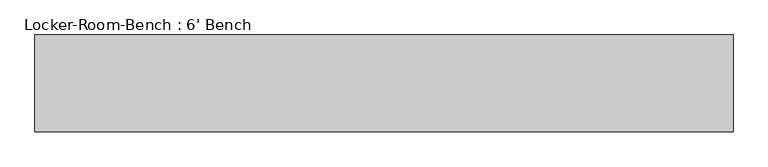
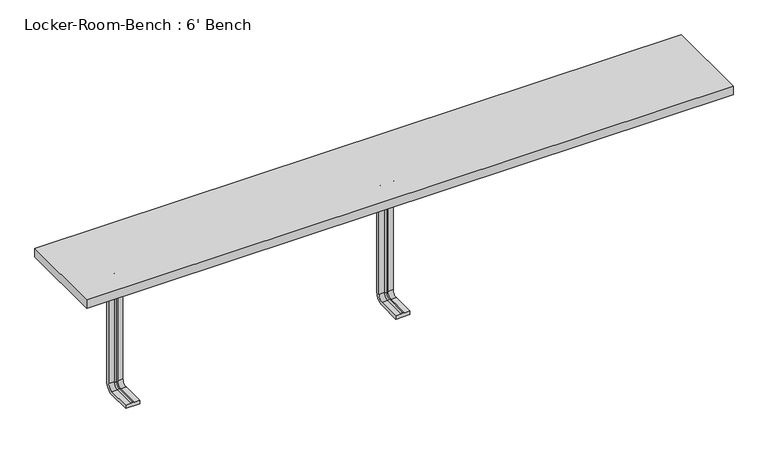
"""IFC4 building model written with IfcOpenShell, lengths in millimetres: furniture geometry, Locker-Room-Bench : 6' Bench."""

import ifcopenshell
import ifcopenshell.guid

model = None  # the IFC model being written
_history = None  # IfcOwnerHistory: only IFC2X3 demands one
_inside = {}  # id of a spatial element -> (the spatial element, [elements in it])
_under = {}  # id of a project, library or spatial element -> (it, [spatial elements below it])
_declared = {}  # id of a project -> (the project, [libraries it declares])
_typed = {}  # id of a type object -> (the type object, [elements of that type])
_made_of = {}  # id of a material, layer set ... -> (it, [elements and type objects made of it])


def new_model(schema):
    """Start an empty IFC model of exactly this schema.

    Asked for "IFC4X3", IfcOpenShell would pick the latest addendum, in which some entities
    have other attributes; the version numbers below select the first issue.
    IFC2X3 requires an IfcOwnerHistory on every rooted entity: one is made here for all.
    """
    global model, _history
    if schema == "IFC4X3":
        model = ifcopenshell.file(schema_version=(4, 3, 0, 0))
    else:
        model = ifcopenshell.file(schema=schema)
    _inside.clear()
    _under.clear()
    _declared.clear()
    _typed.clear()
    _made_of.clear()
    _history = None
    if model.schema == "IFC2X3":
        org = make("IfcOrganization", Name="unknown")
        user = make(
            "IfcPersonAndOrganization",
            ThePerson=make("IfcPerson", FamilyName="unknown"),
            TheOrganization=org,
        )
        app = make(
            "IfcApplication",
            ApplicationDeveloper=org,
            Version="unknown",
            ApplicationFullName="unknown",
            ApplicationIdentifier="unknown",
        )
        _history = make(
            "IfcOwnerHistory",
            OwningUser=user,
            OwningApplication=app,
            ChangeAction="ADDED",
            CreationDate=0,
        )
    return model


def make(cls, **values):
    """One entity of the class cls with the attributes given. An attribute that is None is left unset."""
    return model.create_entity(
        cls, **{name: value for name, value in values.items() if value is not None}
    )


def rooted(cls, **values):
    """An entity with a GlobalId (a new one), such as an element, a storey or a relation."""
    return make(cls, GlobalId=ifcopenshell.guid.new(), OwnerHistory=_history, **values)


def si_unit(unit_type, name, prefix=None):
    """IfcSIUnit, for example si_unit("LENGTHUNIT", "METRE", prefix="MILLI")."""
    return make("IfcSIUnit", UnitType=unit_type, Prefix=prefix, Name=name)


def assignment(units):
    """IfcUnitAssignment: the units of a project."""
    return None if units is None else make("IfcUnitAssignment", Units=units)


def point(xyz):
    """IfcCartesianPoint."""
    return None if xyz is None else make("IfcCartesianPoint", Coordinates=xyz)


def direction(xyz):
    """IfcDirection."""
    return None if xyz is None else make("IfcDirection", DirectionRatios=xyz)


def frame(location, z_axis=None, x_axis=None):
    """IfcAxis2Placement3D, a coordinate frame: its origin and axes. An axis left out is left unset."""
    return make(
        "IfcAxis2Placement3D",
        Location=point(location),
        Axis=direction(z_axis),
        RefDirection=direction(x_axis),
    )


def origin():
    """The frame at (0, 0, 0) with its axes left unset."""
    return frame((0.0, 0.0, 0.0))


def place(relative_to, where):
    """IfcLocalPlacement: puts the frame where relative to a parent placement (None: the world)."""
    return make(
        "IfcLocalPlacement", PlacementRelTo=relative_to, RelativePlacement=where
    )


def context(
    kind, dimensions, precision=None, world=None, true_north=None, identifier=None
):
    """IfcGeometricRepresentationContext, for example the 3D "Model" context."""
    return make(
        "IfcGeometricRepresentationContext",
        ContextIdentifier=identifier,
        ContextType=kind,
        CoordinateSpaceDimension=dimensions,
        Precision=precision,
        WorldCoordinateSystem=world,
        TrueNorth=true_north,
    )


def project(units=None, contexts=None):
    """IfcProject with its units and contexts."""
    return rooted(
        "IfcProject",
        Name="project",
        RepresentationContexts=contexts,
        UnitsInContext=assignment(units),
    )


def spatial(cls, under=None, at=None, **own):
    """A site, building, storey or space (cls), placed at a placement, below another one or the project."""
    s = rooted(cls, ObjectPlacement=at, **own)
    if under is not None:
        _under.setdefault(under.id(), (under, []))[1].append(s)
    return s


def polyline(points):
    """IfcPolyline through the points."""
    return make("IfcPolyline", Points=[point(p) for p in points])


def circle_curve(where, radius):
    """IfcCircle in the frame where."""
    return make("IfcCircle", Position=where, Radius=radius)


def ellipse_curve(where, semi_axis1, semi_axis2):
    """IfcEllipse in the frame where."""
    return make(
        "IfcEllipse", Position=where, SemiAxis1=semi_axis1, SemiAxis2=semi_axis2
    )


def trimmed(basis, trim1, trim2, sense, master):
    """IfcTrimmedCurve: the piece of a basis curve between two trims."""
    return make(
        "IfcTrimmedCurve",
        BasisCurve=basis,
        Trim1=trim1,
        Trim2=trim2,
        SenseAgreement=sense,
        MasterRepresentation=master,
    )


def outline(outer, holes=None, kind="AREA"):
    """IfcArbitraryClosedProfileDef: a profile drawn as a closed curve; with holes, ...WithVoids."""
    if holes is None:
        return make("IfcArbitraryClosedProfileDef", ProfileType=kind, OuterCurve=outer)
    return make(
        "IfcArbitraryProfileDefWithVoids",
        ProfileType=kind,
        OuterCurve=outer,
        InnerCurves=holes,
    )


def extrude(swept, where, along, depth):
    """IfcExtrudedAreaSolid: the profile swept, set in the frame where, extruded along a direction by depth."""
    return make(
        "IfcExtrudedAreaSolid",
        SweptArea=swept,
        Position=where,
        ExtrudedDirection=direction(along),
        Depth=depth,
    )


def shape(context_of_items, identifier, shape_type, items):
    """IfcShapeRepresentation: the items that make up one representation, for example the "Body"."""
    return make(
        "IfcShapeRepresentation",
        ContextOfItems=context_of_items,
        RepresentationIdentifier=identifier,
        RepresentationType=shape_type,
        Items=items,
    )


def source(mapping_origin, context_of_items, identifier, shape_type, items):
    """IfcRepresentationMap: a shape defined once, which mapped items show again and again."""
    return make(
        "IfcRepresentationMap",
        MappingOrigin=mapping_origin,
        MappedRepresentation=shape(context_of_items, identifier, shape_type, items),
    )


def transform(
    local_origin,
    x_axis=None,
    y_axis=None,
    z_axis=None,
    scale=None,
    scale2=None,
    scale3=None,
    uniform=True,
):
    """IfcCartesianTransformationOperator3D, or its non-uniform kind. x_axis, y_axis, z_axis: its Axis1, 2, 3."""
    if uniform:
        return make(
            "IfcCartesianTransformationOperator3D",
            Axis1=direction(x_axis),
            Axis2=direction(y_axis),
            LocalOrigin=point(local_origin),
            Scale=scale,
            Axis3=direction(z_axis),
        )
    return make(
        "IfcCartesianTransformationOperator3DnonUniform",
        Axis1=direction(x_axis),
        Axis2=direction(y_axis),
        LocalOrigin=point(local_origin),
        Scale=scale,
        Axis3=direction(z_axis),
        Scale2=scale2,
        Scale3=scale3,
    )


def mapped(mapping_source, mapping_target):
    """IfcMappedItem: shows the shape of a source again, moved by a transform."""
    return make(
        "IfcMappedItem", MappingSource=mapping_source, MappingTarget=mapping_target
    )


def made_of(thing, what):
    """Note that an element or type object is made of a material, layer set ...; save() writes the relation."""
    if what is not None:
        _made_of.setdefault(what.id(), (what, []))[1].append(thing)
    return thing


def element(
    cls,
    number,
    at=None,
    inside=None,
    cuts=None,
    type_object=None,
    material=None,
    context=None,
    identifier="Body",
    shape_type=None,
    held_by="IfcProductDefinitionShape",
    body=None,
    shapes=None,
    **own,
):
    """One element of the class cls, such as IfcWall. Its Tag is "e" and its number.

    at: its placement. inside: the storey or other place that contains it. cuts: it is an
    opening in that element (IfcRelVoidsElement). A single representation is given by context,
    identifier, shape_type and body (its items); several are given by shapes. held_by: the class
    of the entity that holds the representations. save() writes the other relations.
    """
    e = rooted(cls, Tag="e%d" % number, ObjectPlacement=at, **own)
    if body is not None:
        shapes = [shape(context, identifier, shape_type, body)]
    if shapes is not None:
        e.Representation = make(held_by, Representations=shapes)
    if inside is not None:
        _inside.setdefault(inside.id(), (inside, []))[1].append(e)
    if cuts is not None:
        rooted(
            "IfcRelVoidsElement", RelatingBuildingElement=cuts, RelatedOpeningElement=e
        )
    if type_object is not None:
        _typed.setdefault(type_object.id(), (type_object, []))[1].append(e)
    return made_of(e, material)


def aggregate(whole, parts):
    """IfcRelAggregates: a whole, such as a stair, and the parts it consists of."""
    return rooted("IfcRelAggregates", RelatingObject=whole, RelatedObjects=parts)


def save(model, path):
    """Write the relations noted so far, then the file.

    IfcRelAggregates (storeys below a building ...), IfcRelContainedInSpatialStructure (elements
    in a storey), IfcRelDefinesByType, IfcRelAssociatesMaterial and IfcRelDeclares: one each for
    every whole, place, type object, material and project.
    """
    for whole, parts in _under.values():
        aggregate(whole, parts)
    for where, things in _inside.values():
        rooted(
            "IfcRelContainedInSpatialStructure",
            RelatedElements=things,
            RelatingStructure=where,
        )
    for kind, things in _typed.values():
        rooted("IfcRelDefinesByType", RelatedObjects=things, RelatingType=kind)
    for what, things in _made_of.values():
        rooted("IfcRelAssociatesMaterial", RelatedObjects=things, RelatingMaterial=what)
    for by, libraries in _declared.values():
        rooted("IfcRelDeclares", RelatingContext=by, RelatedDefinitions=libraries)
    model.write(path)


def plane_surface(at):
    """IfcPlane: the flat surface through the origin of the frame at, square to its z axis."""
    return make("IfcPlane", Position=at)


def cylinder_surface(at, radius):
    """IfcCylindricalSurface: all points at the distance radius from the z axis of the frame at."""
    return make("IfcCylindricalSurface", Position=at, Radius=radius)


def revolved_surface(curve, axis_point, axis_direction):
    """IfcSurfaceOfRevolution: the curve turned about the line through axis_point along axis_direction."""
    return make(
        "IfcSurfaceOfRevolution",
        SweptCurve=make("IfcArbitraryOpenProfileDef", ProfileType="CURVE", Curve=curve),
        AxisPosition=make("IfcAxis1Placement", Location=point(axis_point), Axis=direction(axis_direction)),
    )


def advanced_brep(points, edges, surfaces, faces):
    """IfcAdvancedBrep: a solid bounded by faces that lie on surfaces and meet in shared edges.

    An edge is (start, end): straight between two places in points (the first is 0);
    or (start, end, curve); or (start, end, curve, False) where it runs against its curve.
    A face is (place in surfaces, loops), or (place, loops, False) where it looks against
    its surface's normal. A loop lists edges by number (the first is 1), with a minus sign
    where the edge is run from its end to its start. The first loop is the outer one.
    """
    corners = [point(p) for p in points]
    vertices = [make("IfcVertexPoint", VertexGeometry=c) for c in corners]
    made = []
    for start, end, *more in edges:
        made.append(
            make(
                "IfcEdgeCurve",
                EdgeStart=vertices[start],
                EdgeEnd=vertices[end],
                EdgeGeometry=more[0] if more else make("IfcPolyline", Points=[corners[start], corners[end]]),
                SameSense=more[1] if len(more) > 1 else True,
            )
        )
    hull = []
    for where, loops, *sense in faces:
        bounds = []
        for j, loop in enumerate(loops):
            ring = [make("IfcOrientedEdge", EdgeElement=made[abs(k) - 1], Orientation=k > 0) for k in loop]
            bounds.append(
                make(
                    "IfcFaceOuterBound" if j == 0 else "IfcFaceBound",
                    Bound=make("IfcEdgeLoop", EdgeList=ring),
                    Orientation=True,
                )
            )
        hull.append(make("IfcAdvancedFace", Bounds=bounds, FaceSurface=surfaces[where], SameSense=sense[0] if sense else True))
    return make("IfcAdvancedBrep", Outer=make("IfcClosedShell", CfsFaces=hull))


def locker_room_bench_6_bench_0a0b2519(model_context):
    return source(origin(), model_context, "Body", "SolidModel", [
        advanced_brep(
        [(-744.4, -92.0, 381.4), (-784.4, -92.0, 381.4), (-784.4, -92.0, 371.4), (-769.4, -92.0, 371.4), (-764.4, -92.0, 369.0684617), (-759.4, -92.0, 371.4), (-744.4, -92.0, 371.4), (-744.4, -25.0, 381.4), (-784.4, -25.0, 381.4), (-784.4, 0.0, 356.4), (-784.4, 0.0, 40.0), (-784.4, -25.0, 15.0), (-784.4, -92.0, 15.0), (-784.4, -92.0, 25.0), (-784.4, -25.0, 25.0), (-784.4, -10.0, 40.0), (-784.4, -10.0, 356.4), (-784.4, -25.0, 371.4), (-769.4, -25.0, 371.4), (-764.4, -25.0, 369.0684617), (-759.4, -25.0, 371.4), (-744.4, -25.0, 371.4), (-744.4, -10.0, 356.4), (-744.4, -10.0, 40.0), (-744.4, -25.0, 25.0), (-744.4, -92.0, 25.0), (-744.4, -92.0, 15.0), (-744.4, -25.0, 15.0), (-744.4, 0.0, 40.0), (-744.4, 0.0, 356.4), (-769.4, -10.0, 356.4), (-764.4, -12.3315383, 356.4), (-759.4, -10.0, 356.4), (-769.4, -10.0, 40.0), (-764.4, -12.3315383, 40.0), (-759.4, -10.0, 40.0), (-769.4, -25.0, 25.0), (-764.4, -25.0, 27.3315383), (-759.4, -25.0, 25.0), (-759.4, -92.0, 25.0), (-764.4, -92.0, 27.3315383), (-769.4, -92.0, 25.0)],
        [
            (0, 1),
            (1, 2),
            (2, 3),
            (3, 4, circle_curve(frame((-764.6996409, -92.0, 374.9529162), z_axis=(0.0, -1.0, 0.0), x_axis=(0.0, 0.0, 1.0)), 5.8920785)),
            (4, 5, circle_curve(frame((-764.1003591, -92.0, 374.9529162), z_axis=(0.0, -1.0, 0.0), x_axis=(0.0, 0.0, 1.0)), 5.8920785)),
            (5, 6),
            (6, 0),
            (0, 7),
            (7, 8),
            (8, 1),
            (8, 9, circle_curve(frame((-784.4, -25.0, 356.4), z_axis=(-1.0, 0.0, 0.0), x_axis=(0.0, 0.0, 1.0)), 25.0)),
            (9, 10),
            (10, 11, circle_curve(frame((-784.4, -25.0, 40.0), z_axis=(-1.0, 0.0, 0.0), x_axis=(0.0, 1.0, 0.0)), 25.0)),
            (11, 12),
            (12, 13),
            (13, 14),
            (14, 15, circle_curve(frame((-784.4, -25.0, 40.0), z_axis=(1.0, 0.0, 0.0), x_axis=(0.0, 1.0, 0.0)), 15.0)),
            (15, 16),
            (16, 17, circle_curve(frame((-784.4, -25.0, 356.4), z_axis=(1.0, 0.0, 0.0), x_axis=(0.0, 0.0, 1.0)), 15.0)),
            (17, 2),
            (17, 18),
            (18, 3),
            (18, 19, circle_curve(frame((-764.6996409, -25.0, 374.9529162), z_axis=(0.0, -1.0, 0.0), x_axis=(0.0, 0.0, 1.0)), 5.8920785)),
            (19, 4),
            (19, 20, circle_curve(frame((-764.1003591, -25.0, 374.9529162), z_axis=(0.0, -1.0, 0.0), x_axis=(0.0, 0.0, 1.0)), 5.8920785)),
            (20, 5),
            (20, 21),
            (21, 6),
            (21, 22, circle_curve(frame((-744.4, -25.0, 356.4), z_axis=(-1.0, 0.0, 0.0), x_axis=(0.0, 0.0, 1.0)), 15.0)),
            (22, 23),
            (23, 24, circle_curve(frame((-744.4, -25.0, 40.0), z_axis=(-1.0, 0.0, 0.0), x_axis=(0.0, 1.0, 0.0)), 15.0)),
            (24, 25),
            (25, 26),
            (26, 27),
            (27, 28, circle_curve(frame((-744.4, -25.0, 40.0), z_axis=(1.0, 0.0, 0.0), x_axis=(0.0, 1.0, 0.0)), 25.0)),
            (28, 29),
            (29, 7, circle_curve(frame((-744.4, -25.0, 356.4), z_axis=(1.0, 0.0, 0.0), x_axis=(0.0, 0.0, 1.0)), 25.0)),
            (29, 9),
            (30, 18, circle_curve(frame((-769.4, -25.0, 356.4), z_axis=(1.0, 0.0, 0.0), x_axis=(0.0, 0.0, 1.0)), 15.0)),
            (16, 30),
            (31, 19, circle_curve(frame((-764.4, -25.0, 356.4), z_axis=(1.0, 0.0, 0.0), x_axis=(0.0, 0.0, 1.0)), 12.6684617)),
            (30, 31, circle_curve(frame((-764.6996409, -6.4470838, 356.4), z_axis=(0.0, 0.0, 1.0), x_axis=(0.0, 1.0, 0.0)), 5.8920785)),
            (32, 20, circle_curve(frame((-759.4, -25.0, 356.4), z_axis=(1.0, 0.0, 0.0), x_axis=(0.0, 0.0, 1.0)), 15.0)),
            (31, 32, circle_curve(frame((-764.1003591, -6.4470838, 356.4), z_axis=(0.0, 0.0, 1.0), x_axis=(0.0, 1.0, 0.0)), 5.8920785)),
            (32, 22),
            (28, 10),
            (15, 33),
            (33, 30),
            (33, 34, circle_curve(frame((-764.6996409, -6.4470838, 40.0), z_axis=(0.0, 0.0, 1.0), x_axis=(0.0, 1.0, 0.0)), 5.8920785)),
            (34, 31),
            (34, 35, circle_curve(frame((-764.1003591, -6.4470838, 40.0), z_axis=(0.0, 0.0, 1.0), x_axis=(0.0, 1.0, 0.0)), 5.8920785)),
            (35, 32),
            (35, 23),
            (27, 11),
            (36, 33, circle_curve(frame((-769.4, -25.0, 40.0), z_axis=(1.0, 0.0, 0.0), x_axis=(0.0, 1.0, 0.0)), 15.0)),
            (14, 36),
            (37, 34, circle_curve(frame((-764.4, -25.0, 40.0), z_axis=(1.0, 0.0, 0.0), x_axis=(0.0, 1.0, 0.0)), 12.6684617)),
            (36, 37, circle_curve(frame((-764.6996409, -25.0, 21.4470838), z_axis=(0.0, 1.0, 0.0), x_axis=(0.0, 0.0, -1.0)), 5.8920785)),
            (38, 35, circle_curve(frame((-759.4, -25.0, 40.0), z_axis=(1.0, 0.0, 0.0), x_axis=(0.0, 1.0, 0.0)), 15.0)),
            (37, 38, circle_curve(frame((-764.1003591, -25.0, 21.4470838), z_axis=(0.0, 1.0, 0.0), x_axis=(0.0, 0.0, -1.0)), 5.8920785)),
            (38, 24),
            (25, 39),
            (39, 40, circle_curve(frame((-764.1003591, -92.0, 21.4470838), z_axis=(0.0, -1.0, 0.0), x_axis=(0.0, 0.0, -1.0)), 5.8920785)),
            (40, 41, circle_curve(frame((-764.6996409, -92.0, 21.4470838), z_axis=(0.0, -1.0, 0.0), x_axis=(0.0, 0.0, -1.0)), 5.8920785)),
            (41, 13),
            (12, 26),
            (41, 36),
            (40, 37),
            (39, 38),
        ],
        [
            plane_surface(frame((-764.4, -92.0, 381.4), z_axis=(0.0, -1.0, 0.0), x_axis=(1.0, 0.0, 0.0))),
            plane_surface(frame((-744.4, -92.0, 381.4), z_axis=(0.0, 0.0, 1.0), x_axis=(0.0, 1.0, 0.0))),
            plane_surface(frame((-784.4, -92.0, 381.4), z_axis=(-1.0, 0.0, 0.0), x_axis=(0.0, 1.0, 0.0))),
            plane_surface(frame((-784.4, -92.0, 371.4), z_axis=(0.0, 0.0, -1.0), x_axis=(0.0, 1.0, 0.0))),
            cylinder_surface(frame((-764.6996409, -92.0, 374.9529162), z_axis=(0.0, -1.0, 0.0), x_axis=(0.0, 0.0, 1.0)), 5.8920785),
            cylinder_surface(frame((-764.1003591, -92.0, 374.9529162), z_axis=(0.0, -1.0, 0.0), x_axis=(0.0, 0.0, 1.0)), 5.8920785),
            plane_surface(frame((-759.4, -92.0, 371.4), z_axis=(0.0, 0.0, -1.0), x_axis=(0.0, 1.0, 0.0))),
            plane_surface(frame((-744.4, -92.0, 371.4), z_axis=(1.0, 0.0, 0.0), x_axis=(0.0, 1.0, 0.0))),
            cylinder_surface(frame((-764.4, -25.0, 356.4), z_axis=(-1.0, 0.0, 0.0), x_axis=(0.0, 0.0, 1.0)), 25.0),
            revolved_surface(polyline([(-784.4, -25.0, 371.4), (-769.4, -25.0, 371.4)]), (-764.4, -25.0, 356.4), (-1.0, 0.0, 0.0)),
            revolved_surface(trimmed(ellipse_curve(frame((-764.6996409, -25.0, 374.9529162), z_axis=(0.0, -1.0, 0.0), x_axis=(0.0, 0.0, 1.0)), 5.8920785, 5.8920785), [point((-769.4, -25.0, 371.4))], [point((-764.4, -25.0, 369.0684617))], True, "CARTESIAN"), (-764.4, -25.0, 356.4), (-1.0, 0.0, 0.0)),
            revolved_surface(trimmed(ellipse_curve(frame((-764.1003591, -25.0, 374.9529162), z_axis=(0.0, -1.0, 0.0), x_axis=(0.0, 0.0, 1.0)), 5.8920785, 5.8920785), [point((-764.4, -25.0, 369.0684617))], [point((-759.4, -25.0, 371.4))], True, "CARTESIAN"), (-764.4, -25.0, 356.4), (-1.0, 0.0, 0.0)),
            revolved_surface(polyline([(-759.4, -25.0, 371.4), (-744.4, -25.0, 371.4)]), (-764.4, -25.0, 356.4), (-1.0, 0.0, 0.0)),
            plane_surface(frame((-744.4, 0.0, 356.4), z_axis=(0.0, 1.0, 0.0), x_axis=(0.0, 0.0, -1.0))),
            plane_surface(frame((-784.4, -10.0, 356.4), z_axis=(0.0, -1.0, 0.0), x_axis=(0.0, 0.0, -1.0))),
            cylinder_surface(frame((-764.6996409, -6.4470838, 356.4), z_axis=(0.0, 0.0, 1.0), x_axis=(0.0, 1.0, 0.0)), 5.8920785),
            cylinder_surface(frame((-764.1003591, -6.4470838, 356.4), z_axis=(0.0, 0.0, 1.0), x_axis=(0.0, 1.0, 0.0)), 5.8920785),
            plane_surface(frame((-759.4, -10.0, 356.4), z_axis=(0.0, -1.0, 0.0), x_axis=(0.0, 0.0, -1.0))),
            cylinder_surface(frame((-764.4, -25.0, 40.0), z_axis=(-1.0, 0.0, 0.0), x_axis=(0.0, 1.0, 0.0)), 25.0),
            revolved_surface(polyline([(-784.4, -10.0, 40.0), (-769.4, -10.0, 40.0)]), (-764.4, -25.0, 40.0), (-1.0, 0.0, 0.0)),
            revolved_surface(trimmed(ellipse_curve(frame((-764.6996409, -6.4470838, 40.0), z_axis=(0.0, 0.0, 1.0), x_axis=(0.0, 1.0, 0.0)), 5.8920785, 5.8920785), [point((-769.4, -10.0, 40.0))], [point((-764.4, -12.3315383, 40.0))], True, "CARTESIAN"), (-764.4, -25.0, 40.0), (-1.0, 0.0, 0.0)),
            revolved_surface(trimmed(ellipse_curve(frame((-764.1003591, -6.4470838, 40.0), z_axis=(0.0, 0.0, 1.0), x_axis=(0.0, 1.0, 0.0)), 5.8920785, 5.8920785), [point((-764.4, -12.3315383, 40.0))], [point((-759.4, -10.0, 40.0))], True, "CARTESIAN"), (-764.4, -25.0, 40.0), (-1.0, 0.0, 0.0)),
            revolved_surface(polyline([(-759.4, -10.0, 40.0), (-744.4, -10.0, 40.0)]), (-764.4, -25.0, 40.0), (-1.0, 0.0, 0.0)),
            plane_surface(frame((-764.4, -92.0, 15.0), z_axis=(0.0, -1.0, 0.0), x_axis=(1.0, 0.0, 0.0))),
            plane_surface(frame((-744.4, -25.0, 15.0), z_axis=(0.0, 0.0, -1.0), x_axis=(0.0, -1.0, 0.0))),
            plane_surface(frame((-784.4, -25.0, 25.0), z_axis=(0.0, 0.0, 1.0), x_axis=(0.0, -1.0, 0.0))),
            cylinder_surface(frame((-764.6996409, -25.0, 21.4470838), z_axis=(0.0, 1.0, 0.0), x_axis=(0.0, 0.0, -1.0)), 5.8920785),
            cylinder_surface(frame((-764.1003591, -25.0, 21.4470838), z_axis=(0.0, 1.0, 0.0), x_axis=(0.0, 0.0, -1.0)), 5.8920785),
            plane_surface(frame((-759.4, -25.0, 25.0), z_axis=(0.0, 0.0, 1.0), x_axis=(0.0, -1.0, 0.0))),
        ],
        [
            (0, [[1, 2, 3, 4, 5, 6, 7]]),
            (1, [[-1, 8, 9, 10]]),
            (2, [[-2, -10, 11, 12, 13, 14, 15, 16, 17, 18, 19, 20]]),
            (3, [[-3, -20, 21, 22]]),
            (4, [[-4, -22, 23, 24]]),
            (5, [[-5, -24, 25, 26]]),
            (6, [[-6, -26, 27, 28]]),
            (7, [[-7, -28, 29, 30, 31, 32, 33, 34, 35, 36, 37, -8]]),
            (8, [[-11, -9, -37, 38]]),
            (9, [[39, -21, -19, 40]]),
            (10, [[41, -23, -39, 42]]),
            (11, [[43, -25, -41, 44]]),
            (12, [[-29, -27, -43, 45]]),
            (13, [[-38, -36, 46, -12]]),
            (14, [[-40, -18, 47, 48]]),
            (15, [[-42, -48, 49, 50]]),
            (16, [[-44, -50, 51, 52]]),
            (17, [[-45, -52, 53, -30]]),
            (18, [[-13, -46, -35, 54]]),
            (19, [[55, -47, -17, 56]]),
            (20, [[57, -49, -55, 58]]),
            (21, [[59, -51, -57, 60]]),
            (22, [[-31, -53, -59, 61]]),
            (23, [[-33, 62, 63, 64, 65, -15, 66]]),
            (24, [[-54, -34, -66, -14]]),
            (25, [[-56, -16, -65, 67]]),
            (26, [[-58, -67, -64, 68]]),
            (27, [[-60, -68, -63, 69]]),
            (28, [[-61, -69, -62, -32]]),
        ],
    ),
        advanced_brep(
        [(20.0, -92.0, 381.4), (-20.0, -92.0, 381.4), (-20.0, -92.0, 371.4), (-5.0, -92.0, 371.4), (0.0, -92.0, 369.0684617), (5.0, -92.0, 371.4), (20.0, -92.0, 371.4), (20.0, -25.0, 381.4), (-20.0, -25.0, 381.4), (-20.0, 0.0, 356.4), (-20.0, 0.0, 40.0), (-20.0, -25.0, 15.0), (-20.0, -92.0, 15.0), (-20.0, -92.0, 25.0), (-20.0, -25.0, 25.0), (-20.0, -10.0, 40.0), (-20.0, -10.0, 356.4), (-20.0, -25.0, 371.4), (-5.0, -25.0, 371.4), (0.0, -25.0, 369.0684617), (5.0, -25.0, 371.4), (20.0, -25.0, 371.4), (20.0, -10.0, 356.4), (20.0, -10.0, 40.0), (20.0, -25.0, 25.0), (20.0, -92.0, 25.0), (20.0, -92.0, 15.0), (20.0, -25.0, 15.0), (20.0, 0.0, 40.0), (20.0, 0.0, 356.4), (-5.0, -10.0, 356.4), (0.0, -12.3315383, 356.4), (5.0, -10.0, 356.4), (-5.0, -10.0, 40.0), (0.0, -12.3315383, 40.0), (5.0, -10.0, 40.0), (-5.0, -25.0, 25.0), (0.0, -25.0, 27.3315383), (5.0, -25.0, 25.0), (5.0, -92.0, 25.0), (0.0, -92.0, 27.3315383), (-5.0, -92.0, 25.0)],
        [
            (0, 1),
            (1, 2),
            (2, 3),
            (3, 4, circle_curve(frame((-0.2996409, -92.0, 374.9529162), z_axis=(0.0, -1.0, 0.0), x_axis=(0.0, 0.0, 1.0)), 5.8920785)),
            (4, 5, circle_curve(frame((0.2996409, -92.0, 374.9529162), z_axis=(0.0, -1.0, 0.0), x_axis=(0.0, 0.0, 1.0)), 5.8920785)),
            (5, 6),
            (6, 0),
            (0, 7),
            (7, 8),
            (8, 1),
            (8, 9, circle_curve(frame((-20.0, -25.0, 356.4), z_axis=(-1.0, 0.0, 0.0), x_axis=(0.0, 0.0, 1.0)), 25.0)),
            (9, 10),
            (10, 11, circle_curve(frame((-20.0, -25.0, 40.0), z_axis=(-1.0, 0.0, 0.0), x_axis=(0.0, 1.0, 0.0)), 25.0)),
            (11, 12),
            (12, 13),
            (13, 14),
            (14, 15, circle_curve(frame((-20.0, -25.0, 40.0), z_axis=(1.0, 0.0, 0.0), x_axis=(0.0, 1.0, 0.0)), 15.0)),
            (15, 16),
            (16, 17, circle_curve(frame((-20.0, -25.0, 356.4), z_axis=(1.0, 0.0, 0.0), x_axis=(0.0, 0.0, 1.0)), 15.0)),
            (17, 2),
            (17, 18),
            (18, 3),
            (18, 19, circle_curve(frame((-0.2996409, -25.0, 374.9529162), z_axis=(0.0, -1.0, 0.0), x_axis=(0.0, 0.0, 1.0)), 5.8920785)),
            (19, 4),
            (19, 20, circle_curve(frame((0.2996409, -25.0, 374.9529162), z_axis=(0.0, -1.0, 0.0), x_axis=(0.0, 0.0, 1.0)), 5.8920785)),
            (20, 5),
            (20, 21),
            (21, 6),
            (21, 22, circle_curve(frame((20.0, -25.0, 356.4), z_axis=(-1.0, 0.0, 0.0), x_axis=(0.0, 0.0, 1.0)), 15.0)),
            (22, 23),
            (23, 24, circle_curve(frame((20.0, -25.0, 40.0), z_axis=(-1.0, 0.0, 0.0), x_axis=(0.0, 1.0, 0.0)), 15.0)),
            (24, 25),
            (25, 26),
            (26, 27),
            (27, 28, circle_curve(frame((20.0, -25.0, 40.0), z_axis=(1.0, 0.0, 0.0), x_axis=(0.0, 1.0, 0.0)), 25.0)),
            (28, 29),
            (29, 7, circle_curve(frame((20.0, -25.0, 356.4), z_axis=(1.0, 0.0, 0.0), x_axis=(0.0, 0.0, 1.0)), 25.0)),
            (29, 9),
            (30, 18, circle_curve(frame((-5.0, -25.0, 356.4), z_axis=(1.0, 0.0, 0.0), x_axis=(0.0, 0.0, 1.0)), 15.0)),
            (16, 30),
            (31, 19, circle_curve(frame((0.0, -25.0, 356.4), z_axis=(1.0, 0.0, 0.0), x_axis=(0.0, 0.0, 1.0)), 12.6684617)),
            (30, 31, circle_curve(frame((-0.2996409, -6.4470838, 356.4), z_axis=(0.0, 0.0, 1.0), x_axis=(0.0, 1.0, 0.0)), 5.8920785)),
            (32, 20, circle_curve(frame((5.0, -25.0, 356.4), z_axis=(1.0, 0.0, 0.0), x_axis=(0.0, 0.0, 1.0)), 15.0)),
            (31, 32, circle_curve(frame((0.2996409, -6.4470838, 356.4), z_axis=(0.0, 0.0, 1.0), x_axis=(0.0, 1.0, 0.0)), 5.8920785)),
            (32, 22),
            (28, 10),
            (15, 33),
            (33, 30),
            (33, 34, circle_curve(frame((-0.2996409, -6.4470838, 40.0), z_axis=(0.0, 0.0, 1.0), x_axis=(0.0, 1.0, 0.0)), 5.8920785)),
            (34, 31),
            (34, 35, circle_curve(frame((0.2996409, -6.4470838, 40.0), z_axis=(0.0, 0.0, 1.0), x_axis=(0.0, 1.0, 0.0)), 5.8920785)),
            (35, 32),
            (35, 23),
            (27, 11),
            (36, 33, circle_curve(frame((-5.0, -25.0, 40.0), z_axis=(1.0, 0.0, 0.0), x_axis=(0.0, 1.0, 0.0)), 15.0)),
            (14, 36),
            (37, 34, circle_curve(frame((0.0, -25.0, 40.0), z_axis=(1.0, 0.0, 0.0), x_axis=(0.0, 1.0, 0.0)), 12.6684617)),
            (36, 37, circle_curve(frame((-0.2996409, -25.0, 21.4470838), z_axis=(0.0, 1.0, 0.0), x_axis=(0.0, 0.0, -1.0)), 5.8920785)),
            (38, 35, circle_curve(frame((5.0, -25.0, 40.0), z_axis=(1.0, 0.0, 0.0), x_axis=(0.0, 1.0, 0.0)), 15.0)),
            (37, 38, circle_curve(frame((0.2996409, -25.0, 21.4470838), z_axis=(0.0, 1.0, 0.0), x_axis=(0.0, 0.0, -1.0)), 5.8920785)),
            (38, 24),
            (25, 39),
            (39, 40, circle_curve(frame((0.2996409, -92.0, 21.4470838), z_axis=(0.0, -1.0, 0.0), x_axis=(0.0, 0.0, -1.0)), 5.8920785)),
            (40, 41, circle_curve(frame((-0.2996409, -92.0, 21.4470838), z_axis=(0.0, -1.0, 0.0), x_axis=(0.0, 0.0, -1.0)), 5.8920785)),
            (41, 13),
            (12, 26),
            (41, 36),
            (40, 37),
            (39, 38),
        ],
        [
            plane_surface(frame((0.0, -92.0, 381.4), z_axis=(0.0, -1.0, 0.0), x_axis=(1.0, 0.0, 0.0))),
            plane_surface(frame((20.0, -92.0, 381.4), z_axis=(0.0, 0.0, 1.0), x_axis=(0.0, 1.0, 0.0))),
            plane_surface(frame((-20.0, -92.0, 381.4), z_axis=(-1.0, 0.0, 0.0), x_axis=(0.0, 1.0, 0.0))),
            plane_surface(frame((-20.0, -92.0, 371.4), z_axis=(0.0, 0.0, -1.0), x_axis=(0.0, 1.0, 0.0))),
            cylinder_surface(frame((-0.2996409, -92.0, 374.9529162), z_axis=(0.0, -1.0, 0.0), x_axis=(0.0, 0.0, 1.0)), 5.8920785),
            cylinder_surface(frame((0.2996409, -92.0, 374.9529162), z_axis=(0.0, -1.0, 0.0), x_axis=(0.0, 0.0, 1.0)), 5.8920785),
            plane_surface(frame((5.0, -92.0, 371.4), z_axis=(0.0, 0.0, -1.0), x_axis=(0.0, 1.0, 0.0))),
            plane_surface(frame((20.0, -92.0, 371.4), z_axis=(1.0, 0.0, 0.0), x_axis=(0.0, 1.0, 0.0))),
            cylinder_surface(frame((0.0, -25.0, 356.4), z_axis=(-1.0, 0.0, 0.0), x_axis=(0.0, 0.0, 1.0)), 25.0),
            revolved_surface(polyline([(-20.0, -25.0, 371.4), (-5.0, -25.0, 371.4)]), (0.0, -25.0, 356.4), (-1.0, 0.0, 0.0)),
            revolved_surface(trimmed(ellipse_curve(frame((-0.2996409, -25.0, 374.9529162), z_axis=(0.0, -1.0, 0.0), x_axis=(0.0, 0.0, 1.0)), 5.8920785, 5.8920785), [point((-5.0, -25.0, 371.4))], [point((0.0, -25.0, 369.0684617))], True, "CARTESIAN"), (0.0, -25.0, 356.4), (-1.0, 0.0, 0.0)),
            revolved_surface(trimmed(ellipse_curve(frame((0.2996409, -25.0, 374.9529162), z_axis=(0.0, -1.0, 0.0), x_axis=(0.0, 0.0, 1.0)), 5.8920785, 5.8920785), [point((0.0, -25.0, 369.0684617))], [point((5.0, -25.0, 371.4))], True, "CARTESIAN"), (0.0, -25.0, 356.4), (-1.0, 0.0, 0.0)),
            revolved_surface(polyline([(5.0, -25.0, 371.4), (20.0, -25.0, 371.4)]), (0.0, -25.0, 356.4), (-1.0, 0.0, 0.0)),
            plane_surface(frame((20.0, 0.0, 356.4), z_axis=(0.0, 1.0, 0.0), x_axis=(0.0, 0.0, -1.0))),
            plane_surface(frame((-20.0, -10.0, 356.4), z_axis=(0.0, -1.0, 0.0), x_axis=(0.0, 0.0, -1.0))),
            cylinder_surface(frame((-0.2996409, -6.4470838, 356.4), z_axis=(0.0, 0.0, 1.0), x_axis=(0.0, 1.0, 0.0)), 5.8920785),
            cylinder_surface(frame((0.2996409, -6.4470838, 356.4), z_axis=(0.0, 0.0, 1.0), x_axis=(0.0, 1.0, 0.0)), 5.8920785),
            plane_surface(frame((5.0, -10.0, 356.4), z_axis=(0.0, -1.0, 0.0), x_axis=(0.0, 0.0, -1.0))),
            cylinder_surface(frame((0.0, -25.0, 40.0), z_axis=(-1.0, 0.0, 0.0), x_axis=(0.0, 1.0, 0.0)), 25.0),
            revolved_surface(polyline([(-20.0, -10.0, 40.0), (-5.0, -10.0, 40.0)]), (0.0, -25.0, 40.0), (-1.0, 0.0, 0.0)),
            revolved_surface(trimmed(ellipse_curve(frame((-0.2996409, -6.4470838, 40.0), z_axis=(0.0, 0.0, 1.0), x_axis=(0.0, 1.0, 0.0)), 5.8920785, 5.8920785), [point((-5.0, -10.0, 40.0))], [point((0.0, -12.3315383, 40.0))], True, "CARTESIAN"), (0.0, -25.0, 40.0), (-1.0, 0.0, 0.0)),
            revolved_surface(trimmed(ellipse_curve(frame((0.2996409, -6.4470838, 40.0), z_axis=(0.0, 0.0, 1.0), x_axis=(0.0, 1.0, 0.0)), 5.8920785, 5.8920785), [point((0.0, -12.3315383, 40.0))], [point((5.0, -10.0, 40.0))], True, "CARTESIAN"), (0.0, -25.0, 40.0), (-1.0, 0.0, 0.0)),
            revolved_surface(polyline([(5.0, -10.0, 40.0), (20.0, -10.0, 40.0)]), (0.0, -25.0, 40.0), (-1.0, 0.0, 0.0)),
            plane_surface(frame((0.0, -92.0, 15.0), z_axis=(0.0, -1.0, 0.0), x_axis=(1.0, 0.0, 0.0))),
            plane_surface(frame((20.0, -25.0, 15.0), z_axis=(0.0, 0.0, -1.0), x_axis=(0.0, -1.0, 0.0))),
            plane_surface(frame((-20.0, -25.0, 25.0), z_axis=(0.0, 0.0, 1.0), x_axis=(0.0, -1.0, 0.0))),
            cylinder_surface(frame((-0.2996409, -25.0, 21.4470838), z_axis=(0.0, 1.0, 0.0), x_axis=(0.0, 0.0, -1.0)), 5.8920785),
            cylinder_surface(frame((0.2996409, -25.0, 21.4470838), z_axis=(0.0, 1.0, 0.0), x_axis=(0.0, 0.0, -1.0)), 5.8920785),
            plane_surface(frame((5.0, -25.0, 25.0), z_axis=(0.0, 0.0, 1.0), x_axis=(0.0, -1.0, 0.0))),
        ],
        [
            (0, [[1, 2, 3, 4, 5, 6, 7]]),
            (1, [[-1, 8, 9, 10]]),
            (2, [[-2, -10, 11, 12, 13, 14, 15, 16, 17, 18, 19, 20]]),
            (3, [[-3, -20, 21, 22]]),
            (4, [[-4, -22, 23, 24]]),
            (5, [[-5, -24, 25, 26]]),
            (6, [[-6, -26, 27, 28]]),
            (7, [[-7, -28, 29, 30, 31, 32, 33, 34, 35, 36, 37, -8]]),
            (8, [[-11, -9, -37, 38]]),
            (9, [[39, -21, -19, 40]]),
            (10, [[41, -23, -39, 42]]),
            (11, [[43, -25, -41, 44]]),
            (12, [[-29, -27, -43, 45]]),
            (13, [[-38, -36, 46, -12]]),
            (14, [[-40, -18, 47, 48]]),
            (15, [[-42, -48, 49, 50]]),
            (16, [[-44, -50, 51, 52]]),
            (17, [[-45, -52, 53, -30]]),
            (18, [[-13, -46, -35, 54]]),
            (19, [[55, -47, -17, 56]]),
            (20, [[57, -49, -55, 58]]),
            (21, [[59, -51, -57, 60]]),
            (22, [[-31, -53, -59, 61]]),
            (23, [[-33, 62, 63, 64, 65, -15, 66]]),
            (24, [[-54, -34, -66, -14]]),
            (25, [[-56, -16, -65, 67]]),
            (26, [[-58, -67, -64, 68]]),
            (27, [[-60, -68, -63, 69]]),
            (28, [[-61, -69, -62, -32]]),
        ],
    ),
        extrude(outline(polyline([(914.4, 127.0), (914.4, -127.0), (-914.4, -127.0), (-914.4, 127.0), (914.4, 127.0)])), frame((0.0, 0.0, 381.4), z_axis=(0.0, 0.0, 1.0), x_axis=(1.0, 0.0, 0.0)), (0.0, 0.0, 1.0), 25.0),
    ])


if __name__ == "__main__":
    model = new_model("IFC4")
    model_context = context("Model", 3, world=origin())
    ifc_project = project(units=[si_unit("LENGTHUNIT", "METRE", prefix="MILLI")], contexts=[model_context])
    site = spatial("IfcSite", under=ifc_project)
    building = spatial("IfcBuilding", under=site)
    placement = place(None, origin())
    locker_room_bench_6_bench_shape = locker_room_bench_6_bench_0a0b2519(model_context)
    element("IfcFurniture", 1, ObjectType="Locker-Room-Bench : 6' Bench", at=placement, inside=building, context=model_context, shape_type="MappedRepresentation", body=[
        mapped(locker_room_bench_6_bench_shape, transform((0.0, 0.0, 0.0), x_axis=(1.0, 0.0, 0.0), y_axis=(0.0, 1.0, 0.0), z_axis=(0.0, 0.0, 1.0))),
    ])
    save(model, "model.ifc")
